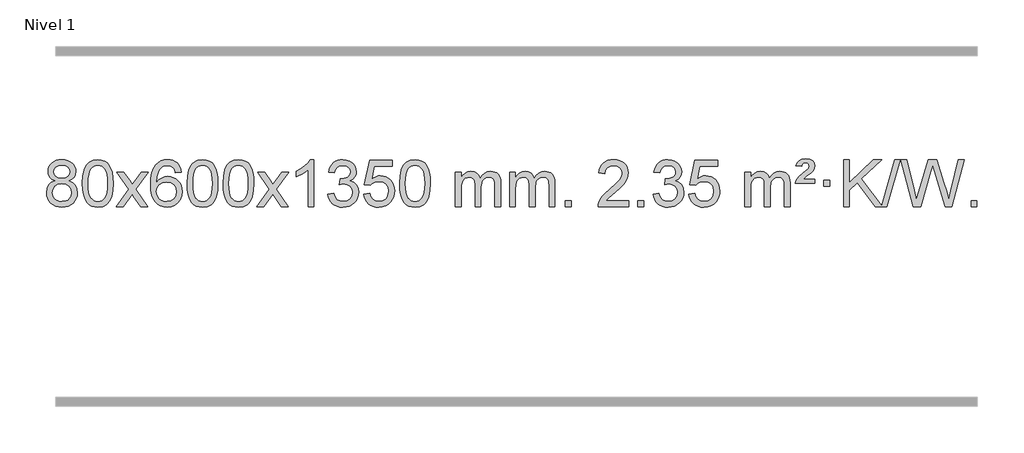
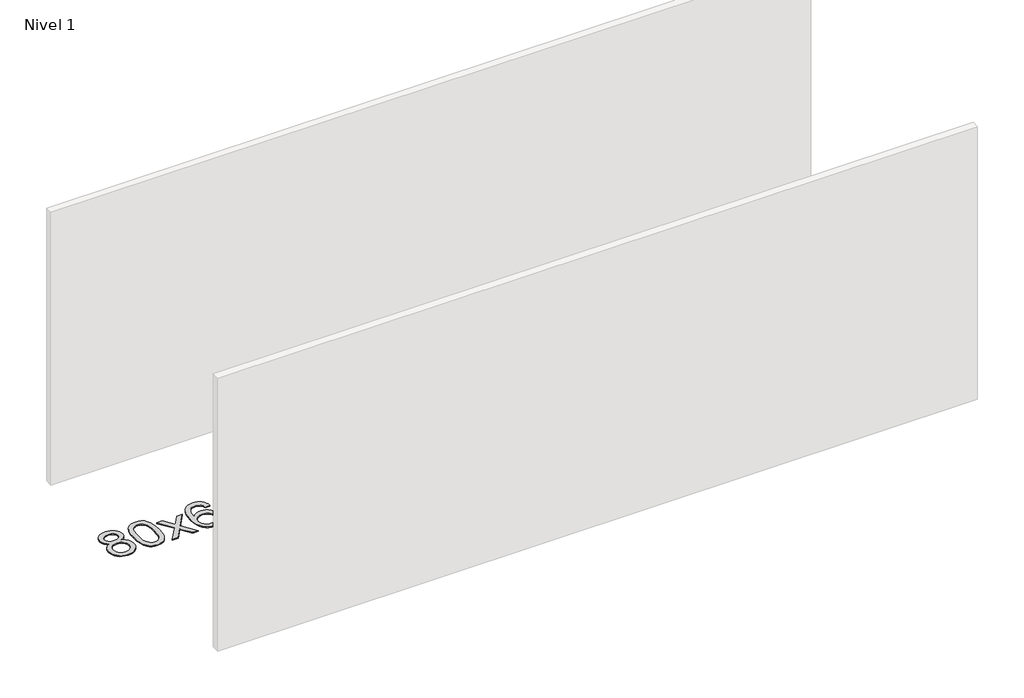
# One storey, part 6 of 16: 1 proxy.
"""IFC4 building model written with IfcOpenShell, lengths in millimetres."""

import ifcopenshell
import ifcopenshell.guid

model = None  # the IFC model being written
_history = None  # IfcOwnerHistory: only IFC2X3 demands one
_inside = {}  # id of a spatial element -> (the spatial element, [elements in it])
_under = {}  # id of a project, library or spatial element -> (it, [spatial elements below it])
_declared = {}  # id of a project -> (the project, [libraries it declares])
_typed = {}  # id of a type object -> (the type object, [elements of that type])
_made_of = {}  # id of a material, layer set ... -> (it, [elements and type objects made of it])


def new_model(schema):
    """Start an empty IFC model of exactly this schema.

    Asked for "IFC4X3", IfcOpenShell would pick the latest addendum, in which some entities
    have other attributes; the version numbers below select the first issue.
    IFC2X3 requires an IfcOwnerHistory on every rooted entity: one is made here for all.
    """
    global model, _history
    if schema == "IFC4X3":
        model = ifcopenshell.file(schema_version=(4, 3, 0, 0))
    else:
        model = ifcopenshell.file(schema=schema)
    _inside.clear()
    _under.clear()
    _declared.clear()
    _typed.clear()
    _made_of.clear()
    _history = None
    if model.schema == "IFC2X3":
        org = make("IfcOrganization", Name="unknown")
        user = make(
            "IfcPersonAndOrganization",
            ThePerson=make("IfcPerson", FamilyName="unknown"),
            TheOrganization=org,
        )
        app = make(
            "IfcApplication",
            ApplicationDeveloper=org,
            Version="unknown",
            ApplicationFullName="unknown",
            ApplicationIdentifier="unknown",
        )
        _history = make(
            "IfcOwnerHistory",
            OwningUser=user,
            OwningApplication=app,
            ChangeAction="ADDED",
            CreationDate=0,
        )
    return model


def make(cls, **values):
    """One entity of the class cls with the attributes given. An attribute that is None is left unset."""
    return model.create_entity(
        cls, **{name: value for name, value in values.items() if value is not None}
    )


def rooted(cls, **values):
    """An entity with a GlobalId (a new one), such as an element, a storey or a relation."""
    return make(cls, GlobalId=ifcopenshell.guid.new(), OwnerHistory=_history, **values)


def si_unit(unit_type, name, prefix=None):
    """IfcSIUnit, for example si_unit("LENGTHUNIT", "METRE", prefix="MILLI")."""
    return make("IfcSIUnit", UnitType=unit_type, Prefix=prefix, Name=name)


def assignment(units):
    """IfcUnitAssignment: the units of a project."""
    return None if units is None else make("IfcUnitAssignment", Units=units)


def point(xyz):
    """IfcCartesianPoint."""
    return None if xyz is None else make("IfcCartesianPoint", Coordinates=xyz)


def direction(xyz):
    """IfcDirection."""
    return None if xyz is None else make("IfcDirection", DirectionRatios=xyz)


def frame(location, z_axis=None, x_axis=None):
    """IfcAxis2Placement3D, a coordinate frame: its origin and axes. An axis left out is left unset."""
    return make(
        "IfcAxis2Placement3D",
        Location=point(location),
        Axis=direction(z_axis),
        RefDirection=direction(x_axis),
    )


def origin():
    """The frame at (0, 0, 0) with its axes left unset."""
    return frame((0.0, 0.0, 0.0))


def origin_with_axes():
    """The frame at (0, 0, 0) with the z axis (0, 0, 1) and the x axis (1, 0, 0) written out."""
    return frame((0.0, 0.0, 0.0), z_axis=(0.0, 0.0, 1.0), x_axis=(1.0, 0.0, 0.0))


def place(relative_to, where):
    """IfcLocalPlacement: puts the frame where relative to a parent placement (None: the world)."""
    return make(
        "IfcLocalPlacement", PlacementRelTo=relative_to, RelativePlacement=where
    )


def context(
    kind, dimensions, precision=None, world=None, true_north=None, identifier=None
):
    """IfcGeometricRepresentationContext, for example the 3D "Model" context."""
    return make(
        "IfcGeometricRepresentationContext",
        ContextIdentifier=identifier,
        ContextType=kind,
        CoordinateSpaceDimension=dimensions,
        Precision=precision,
        WorldCoordinateSystem=world,
        TrueNorth=true_north,
    )


def project(units=None, contexts=None):
    """IfcProject with its units and contexts."""
    return rooted(
        "IfcProject",
        Name="project",
        RepresentationContexts=contexts,
        UnitsInContext=assignment(units),
    )


def spatial(cls, under=None, at=None, **own):
    """A site, building, storey or space (cls), placed at a placement, below another one or the project."""
    s = rooted(cls, ObjectPlacement=at, **own)
    if under is not None:
        _under.setdefault(under.id(), (under, []))[1].append(s)
    return s


def polyline(points):
    """IfcPolyline through the points."""
    return make("IfcPolyline", Points=[point(p) for p in points])


def outline(outer, holes=None, kind="AREA"):
    """IfcArbitraryClosedProfileDef: a profile drawn as a closed curve; with holes, ...WithVoids."""
    if holes is None:
        return make("IfcArbitraryClosedProfileDef", ProfileType=kind, OuterCurve=outer)
    return make(
        "IfcArbitraryProfileDefWithVoids",
        ProfileType=kind,
        OuterCurve=outer,
        InnerCurves=holes,
    )


def extrude(swept, where, along, depth):
    """IfcExtrudedAreaSolid: the profile swept, set in the frame where, extruded along a direction by depth."""
    return make(
        "IfcExtrudedAreaSolid",
        SweptArea=swept,
        Position=where,
        ExtrudedDirection=direction(along),
        Depth=depth,
    )


def shape(context_of_items, identifier, shape_type, items):
    """IfcShapeRepresentation: the items that make up one representation, for example the "Body"."""
    return make(
        "IfcShapeRepresentation",
        ContextOfItems=context_of_items,
        RepresentationIdentifier=identifier,
        RepresentationType=shape_type,
        Items=items,
    )


def made_of(thing, what):
    """Note that an element or type object is made of a material, layer set ...; save() writes the relation."""
    if what is not None:
        _made_of.setdefault(what.id(), (what, []))[1].append(thing)
    return thing


def element(
    cls,
    number,
    at=None,
    inside=None,
    cuts=None,
    type_object=None,
    material=None,
    context=None,
    identifier="Body",
    shape_type=None,
    held_by="IfcProductDefinitionShape",
    body=None,
    shapes=None,
    **own,
):
    """One element of the class cls, such as IfcWall. Its Tag is "e" and its number.

    at: its placement. inside: the storey or other place that contains it. cuts: it is an
    opening in that element (IfcRelVoidsElement). A single representation is given by context,
    identifier, shape_type and body (its items); several are given by shapes. held_by: the class
    of the entity that holds the representations. save() writes the other relations.
    """
    e = rooted(cls, Tag="e%d" % number, ObjectPlacement=at, **own)
    if body is not None:
        shapes = [shape(context, identifier, shape_type, body)]
    if shapes is not None:
        e.Representation = make(held_by, Representations=shapes)
    if inside is not None:
        _inside.setdefault(inside.id(), (inside, []))[1].append(e)
    if cuts is not None:
        rooted(
            "IfcRelVoidsElement", RelatingBuildingElement=cuts, RelatedOpeningElement=e
        )
    if type_object is not None:
        _typed.setdefault(type_object.id(), (type_object, []))[1].append(e)
    return made_of(e, material)


def aggregate(whole, parts):
    """IfcRelAggregates: a whole, such as a stair, and the parts it consists of."""
    return rooted("IfcRelAggregates", RelatingObject=whole, RelatedObjects=parts)


def save(model, path):
    """Write the relations noted so far, then the file.

    IfcRelAggregates (storeys below a building ...), IfcRelContainedInSpatialStructure (elements
    in a storey), IfcRelDefinesByType, IfcRelAssociatesMaterial and IfcRelDeclares: one each for
    every whole, place, type object, material and project.
    """
    for whole, parts in _under.values():
        aggregate(whole, parts)
    for where, things in _inside.values():
        rooted(
            "IfcRelContainedInSpatialStructure",
            RelatedElements=things,
            RelatingStructure=where,
        )
    for kind, things in _typed.values():
        rooted("IfcRelDefinesByType", RelatedObjects=things, RelatingType=kind)
    for what, things in _made_of.values():
        rooted("IfcRelAssociatesMaterial", RelatedObjects=things, RelatingMaterial=what)
    for by, libraries in _declared.values():
        rooted("IfcRelDeclares", RelatingContext=by, RelatedDefinitions=libraries)
    model.write(path)


model = new_model("IFC4")

# Units and contexts
model_context = context("Model", 3, world=origin())
ifc_project = project(units=[si_unit("LENGTHUNIT", "METRE", prefix="MILLI")], contexts=[model_context])

# Site, building, storey
site = spatial("IfcSite", under=ifc_project)
building = spatial("IfcBuilding", under=site)
storey = spatial("IfcBuildingStorey", under=building, Name="Nivel 1", Elevation=0.0)

# Proxy
placement = place(None, origin())
element("IfcBuildingElementProxy", 1, Name="Texto de modelo 1", ObjectType="Texto de modelo 1", at=placement, inside=storey, context=model_context, shape_type="SweptSolid", body=[
    extrude(outline(polyline([(-13036.8094438, -3174.2616447), (-13063.7016177, -3161.0178929), (-13082.573964, -3143.0652515), (-13093.7207885, -3120.7716026), (-13097.4363966, -3094.5048281), (-13095.4130456, -3074.0199324), (-13089.3429927, -3055.2395565), (-13079.2262378, -3038.1637006), (-13065.062781, -3022.7923645), (-13047.533204, -3010.088173), (-13027.3180883, -3001.0137504), (-13004.4174341, -2995.5690969), (-12978.8312414, -2993.7542124), (-12953.1224213, -2995.6120165), (-12930.0500888, -3001.1854287), (-12909.614244, -3010.4744491), (-12891.8148868, -3023.4790776), (-12877.3939126, -3039.1508506), (-12867.0932167, -3056.4413044), (-12860.9127992, -3075.3504389), (-12858.85266, -3095.8782543), (-12862.5192172, -3121.2989001), (-12873.5188889, -3143.2124043), (-12891.9743023, -3161.0546811), (-12918.0080848, -3174.2616447), (-12887.0937345, -3190.1909351), (-12864.5916191, -3213.6495436), (-12850.8696207, -3243.5092989), (-12846.2956212, -3278.6420295), (-12848.5642269, -3303.6947933), (-12855.3700438, -3326.6628926), (-12866.713072, -3347.5463272), (-12882.5933114, -3366.3450971), (-12902.1768963, -3381.88198), (-12924.6299607, -3392.9797536), (-12949.9525047, -3399.6384177), (-12978.1445283, -3401.8579724), (-13006.3365519, -3399.6292206), (-13031.6590959, -3392.9429654), (-13054.1121603, -3381.7992066), (-13073.6957452, -3366.1979443), (-13089.5759846, -3347.26735), (-13100.9190128, -3326.135595), (-13107.7248297, -3302.8026795), (-13109.9934354, -3277.2686033), (-13105.2354949, -3240.7747094), (-13090.9616735, -3210.7555386), (-13067.9077351, -3188.2411605), (-13036.8094438, -3174.2616447)]), holes=[polyline([(-13047.2082415, -3095.9763561), (-13042.7568694, -3117.902123), (-13029.402753, -3135.413306), (-13007.5382997, -3146.8912243), (-12977.5559171, -3150.717197), (-12948.2725103, -3146.9157497), (-12926.7391508, -3135.5114079), (-12913.495399, -3118.5888361), (-12909.0808151, -3098.232699), (-12913.6425518, -3077.1040098), (-12927.327762, -3059.629615), (-12949.1554271, -3047.8941794), (-12978.1445283, -3043.9823675), (-13007.3175705, -3047.8083402), (-13029.1084474, -3059.2862585), (-13042.683293, -3076.1107284), (-13047.2082415, -3095.9763561)]), polyline([(-13059.7652803, -3275.5027698), (-13057.6683529, -3294.7184726), (-13051.3775708, -3313.3210389), (-13039.7647625, -3329.5446349), (-13021.7017565, -3341.623427), (-13000.0702952, -3349.1282197), (-12977.7521208, -3351.6298173), (-12943.5636208, -3346.3691048), (-12929.6699441, -3339.7932141), (-12917.909983, -3330.5869672), (-12901.870328, -3306.6869002), (-12896.5237763, -3277.0723996), (-12902.0420062, -3246.9551269), (-12918.596696, -3222.5277625), (-12930.6754882, -3213.0854579), (-12944.838945, -3206.3409547), (-12979.4198526, -3200.9453521), (-13013.130106, -3206.2673783), (-13026.8674329, -3212.919911), (-13038.5262264, -3222.2334569), (-13054.4555168, -3246.1948375), (-13059.7652803, -3275.5027698)])]), origin_with_axes(), (0.0, 0.0, 1.0), 10.0),
    extrude(outline(polyline([(-12802.3459855, -3197.9041943), (-12798.6549029, -3133.5861588), (-12787.5816548, -3082.2911459), (-12769.236606, -3043.2343407), (-12757.378543, -3028.0009605), (-12743.730121, -3015.6309284), (-12728.2453547, -3006.0598651), (-12710.8782588, -2999.2233914), (-12670.4970785, -2993.7542124), (-12639.5459399, -2996.991574), (-12611.832163, -3006.7036586), (-12588.6555973, -3022.5103217), (-12571.3160926, -3044.0314184), (-12558.2194935, -3071.0830078), (-12547.7716449, -3103.4811488), (-12540.9290398, -3144.6226186), (-12538.6481714, -3197.9041943), (-12542.3024659, -3261.8543477), (-12553.2653493, -3313.0267333), (-12571.5000336, -3352.1203266), (-12583.3305054, -3367.3996922), (-12596.9697304, -3379.8341036), (-12612.4728908, -3389.4695462), (-12629.8951689, -3396.3520052), (-12670.4970785, -3401.8579724), (-12698.1618045, -3399.4667394), (-12722.6872709, -3392.2930405), (-12744.0734775, -3380.3368757), (-12762.3204245, -3363.5982449), (-12779.8316074, -3333.3399508), (-12792.3395953, -3295.6381776), (-12799.844388, -3250.4929255), (-12802.3459855, -3197.9041943)]), holes=[polyline([(-12752.1178305, -3197.8060924), (-12750.6463025, -3241.4706195), (-12746.2317185, -3276.8148822), (-12738.8740786, -3303.8388804), (-12728.5733828, -3322.5426142), (-12716.1144459, -3335.2682656), (-12702.2820829, -3344.3580165), (-12687.0762937, -3349.8118671), (-12670.4970785, -3351.6298173), (-12653.9178632, -3349.8057357), (-12638.7120741, -3344.3334911), (-12624.8797111, -3335.2130833), (-12612.4207742, -3322.4445124), (-12602.1200783, -3303.7101217), (-12594.7624384, -3276.6922549), (-12590.3478545, -3241.3909118), (-12588.8763265, -3197.8060924), (-12590.2988035, -3155.2973278), (-12594.5662347, -3120.5753989), (-12601.6786199, -3093.6403055), (-12611.6359592, -3074.4920476), (-12623.8864297, -3061.1440625), (-12637.8782082, -3051.6097875), (-12653.6112949, -3045.8892225), (-12671.0856897, -3043.9823675), (-12687.5790658, -3045.6623619), (-12702.5273375, -3050.7023452), (-12715.9305049, -3059.1023175), (-12727.7885679, -3070.8622786), (-12738.4326203, -3091.708925), (-12746.0355148, -3119.8151094), (-12750.5972516, -3155.1808319), (-12752.1178305, -3197.8060924)])]), origin_with_axes(), (0.0, 0.0, 1.0), 10.0),
    extrude(outline(polyline([(-12513.5340939, -3395.579453), (-12406.2106531, -3247.2494325), (-12507.2555745, -3100.4890419), (-12446.8248254, -3100.4890419), (-12398.0681983, -3171.122385), (-12375.3085655, -3204.4770192), (-12355.5900906, -3177.2047007), (-12300.0644348, -3100.4890419), (-12239.6336857, -3100.4890419), (-12345.7799041, -3247.2494325), (-12243.5577603, -3395.579453), (-12303.9885094, -3395.579453), (-12365.498379, -3306.4048574), (-12376.7800935, -3290.1199477), (-12453.1033448, -3395.579453), (-12513.5340939, -3395.579453)])), origin_with_axes(), (0.0, 0.0, 1.0), 10.0),
    extrude(outline(polyline([(-11954.7458687, -3100.4890419), (-12004.9740237, -3106.7675613), (-12013.0674276, -3081.874213), (-12024.0057856, -3064.8780648), (-12046.7899439, -3049.2062918), (-12074.3320426, -3043.9823675), (-12097.6802865, -3047.0235253), (-12119.6551044, -3056.1469988), (-12138.5274507, -3075.3627017), (-12153.9417063, -3101.8134171), (-12164.3527668, -3139.227016), (-12168.2155277, -3191.3313693), (-12148.0678571, -3167.8237098), (-12123.9225355, -3151.2567573), (-12097.1284635, -3141.434308), (-12069.0345418, -3138.1601582), (-12044.9014829, -3140.398107), (-12022.6323595, -3147.1119534), (-12002.2271715, -3158.3016975), (-11983.6859189, -3173.9673391), (-11968.2777947, -3193.1769106), (-11957.2719917, -3214.9984443), (-11950.6685099, -3239.4319401), (-11948.4673493, -3266.4773982), (-11952.6121531, -3302.4439945), (-11965.0465645, -3335.786366), (-11984.740514, -3364.0642287), (-12010.6639319, -3384.8372987), (-12041.6395959, -3397.602804), (-12076.4902836, -3401.8579724), (-12106.4328123, -3399.0375437), (-12133.4752046, -3390.5762579), (-12157.6174606, -3376.4741147), (-12178.8595801, -3356.7311143), (-12196.177625, -3330.5133908), (-12208.5476571, -3296.9870783), (-12215.9696764, -3256.1521768), (-12218.4436828, -3208.0086864), (-12215.6968306, -3154.0342663), (-12207.4562739, -3107.9693092), (-12193.7220127, -3069.8138149), (-12174.4940471, -3039.5677835), (-12153.6535321, -3019.5243462), (-12129.4898164, -3005.2076052), (-12102.0029, -2996.6175606), (-12071.1927829, -2993.7542124), (-12048.0591367, -2995.5261773), (-12027.1205198, -3000.8420722), (-12008.3769322, -3009.7018969), (-11991.8283738, -3022.1056515), (-11977.9224344, -3037.6364031), (-11967.1067037, -3055.8772186), (-11959.3811818, -3076.8280983), (-11954.7458687, -3100.4890419)]), holes=[polyline([(-12168.2155277, -3265.6925832), (-12165.30926, -3287.9494439), (-12156.5904567, -3309.2007605), (-12143.0523993, -3327.472233), (-12125.6883691, -3340.7895612), (-12104.7313581, -3348.9197533), (-12080.4143582, -3351.6298173), (-12047.2681904, -3346.0134855), (-12033.353054, -3338.9930708), (-12021.2098825, -3329.1644901), (-12011.359842, -3316.9262824), (-12004.3240989, -3302.6769865), (-11998.6955043, -3268.1451299), (-12004.2505225, -3234.9989621), (-12011.1942951, -3221.3781312), (-12020.9155769, -3209.725469), (-12033.0955366, -3200.3904634), (-12047.4153432, -3193.7226022), (-12082.4744974, -3188.3883133), (-12115.5716142, -3193.7226022), (-12143.248603, -3209.725469), (-12154.1716326, -3221.2248471), (-12161.9737965, -3234.3858254), (-12166.6550949, -3249.2084042), (-12168.2155277, -3265.6925832)])]), origin_with_axes(), (0.0, 0.0, 1.0), 10.0),
    extrude(outline(polyline([(-11904.5177136, -3197.9041943), (-11900.8266309, -3133.5861588), (-11889.7533828, -3082.2911459), (-11871.408334, -3043.2343407), (-11859.550271, -3028.0009605), (-11845.901849, -3015.6309284), (-11830.4170827, -3006.0598651), (-11813.0499869, -2999.2233914), (-11772.6688065, -2993.7542124), (-11741.717668, -2996.991574), (-11714.003891, -3006.7036586), (-11690.8273253, -3022.5103217), (-11673.4878206, -3044.0314184), (-11660.3912216, -3071.0830078), (-11649.9433729, -3103.4811488), (-11643.1007678, -3144.6226186), (-11640.8198994, -3197.9041943), (-11644.4741939, -3261.8543477), (-11655.4370774, -3313.0267333), (-11673.6717616, -3352.1203266), (-11685.5022334, -3367.3996922), (-11699.1414584, -3379.8341036), (-11714.6446188, -3389.4695462), (-11732.066897, -3396.3520052), (-11772.6688065, -3401.8579724), (-11800.3335326, -3399.4667394), (-11824.8589989, -3392.2930405), (-11846.2452055, -3380.3368757), (-11864.4921525, -3363.5982449), (-11882.0033355, -3333.3399508), (-11894.5113233, -3295.6381776), (-11902.016116, -3250.4929255), (-11904.5177136, -3197.9041943)]), holes=[polyline([(-11854.2895585, -3197.8060924), (-11852.8180305, -3241.4706195), (-11848.4034466, -3276.8148822), (-11841.0458067, -3303.8388804), (-11830.7451108, -3322.5426142), (-11818.2861739, -3335.2682656), (-11804.4538109, -3344.3580165), (-11789.2480218, -3349.8118671), (-11772.6688065, -3351.6298173), (-11756.0895913, -3349.8057357), (-11740.8838021, -3344.3334911), (-11727.0514391, -3335.2130833), (-11714.5925022, -3322.4445124), (-11704.2918063, -3303.7101217), (-11696.9341664, -3276.6922549), (-11692.5195825, -3241.3909118), (-11691.0480545, -3197.8060924), (-11692.4705316, -3155.2973278), (-11696.7379627, -3120.5753989), (-11703.8503479, -3093.6403055), (-11713.8076873, -3074.4920476), (-11726.0581577, -3061.1440625), (-11740.0499363, -3051.6097875), (-11755.7830229, -3045.8892225), (-11773.2574177, -3043.9823675), (-11789.7507938, -3045.6623619), (-11804.6990656, -3050.7023452), (-11818.1022329, -3059.1023175), (-11829.9602959, -3070.8622786), (-11840.6043483, -3091.708925), (-11848.2072429, -3119.8151094), (-11852.7689796, -3155.1808319), (-11854.2895585, -3197.8060924)])]), origin_with_axes(), (0.0, 0.0, 1.0), 10.0),
    extrude(outline(polyline([(-11596.8702638, -3197.9041943), (-11593.1791811, -3133.5861588), (-11582.105933, -3082.2911459), (-11563.7608842, -3043.2343407), (-11551.9028212, -3028.0009605), (-11538.2543992, -3015.6309284), (-11522.7696329, -3006.0598651), (-11505.402537, -2999.2233914), (-11465.0213567, -2993.7542124), (-11434.0702182, -2996.991574), (-11406.3564412, -3006.7036586), (-11383.1798755, -3022.5103217), (-11365.8403708, -3044.0314184), (-11352.7437718, -3071.0830078), (-11342.2959231, -3103.4811488), (-11335.453318, -3144.6226186), (-11333.1724496, -3197.9041943), (-11336.8267441, -3261.8543477), (-11347.7896275, -3313.0267333), (-11366.0243118, -3352.1203266), (-11377.8547836, -3367.3996922), (-11391.4940086, -3379.8341036), (-11406.997169, -3389.4695462), (-11424.4194471, -3396.3520052), (-11465.0213567, -3401.8579724), (-11492.6860827, -3399.4667394), (-11517.2115491, -3392.2930405), (-11538.5977557, -3380.3368757), (-11556.8447027, -3363.5982449), (-11574.3558856, -3333.3399508), (-11586.8638735, -3295.6381776), (-11594.3686662, -3250.4929255), (-11596.8702638, -3197.9041943)]), holes=[polyline([(-11546.6421087, -3197.8060924), (-11545.1705807, -3241.4706195), (-11540.7559968, -3276.8148822), (-11533.3983568, -3303.8388804), (-11523.097661, -3322.5426142), (-11510.6387241, -3335.2682656), (-11496.8063611, -3344.3580165), (-11481.6005719, -3349.8118671), (-11465.0213567, -3351.6298173), (-11448.4421414, -3349.8057357), (-11433.2363523, -3344.3334911), (-11419.4039893, -3335.2130833), (-11406.9450524, -3322.4445124), (-11396.6443565, -3303.7101217), (-11389.2867166, -3276.6922549), (-11384.8721327, -3241.3909118), (-11383.4006047, -3197.8060924), (-11384.8230817, -3155.2973278), (-11389.0905129, -3120.5753989), (-11396.2028981, -3093.6403055), (-11406.1602375, -3074.4920476), (-11418.4107079, -3061.1440625), (-11432.4024864, -3051.6097875), (-11448.1355731, -3045.8892225), (-11465.6099679, -3043.9823675), (-11482.103344, -3045.6623619), (-11497.0516157, -3050.7023452), (-11510.4547831, -3059.1023175), (-11522.3128461, -3070.8622786), (-11532.9568985, -3091.708925), (-11540.559793, -3119.8151094), (-11545.1215298, -3155.1808319), (-11546.6421087, -3197.8060924)])]), origin_with_axes(), (0.0, 0.0, 1.0), 10.0),
    extrude(outline(polyline([(-11308.0583721, -3395.579453), (-11200.7349313, -3247.2494325), (-11301.7798527, -3100.4890419), (-11241.3491036, -3100.4890419), (-11192.5924765, -3171.122385), (-11169.8328437, -3204.4770192), (-11150.1143688, -3177.2047007), (-11094.588713, -3100.4890419), (-11034.1579639, -3100.4890419), (-11140.3041823, -3247.2494325), (-11038.0820385, -3395.579453), (-11098.5127876, -3395.579453), (-11160.0226572, -3306.4048574), (-11171.3043717, -3290.1199477), (-11247.627623, -3395.579453), (-11308.0583721, -3395.579453)])), origin_with_axes(), (0.0, 0.0, 1.0), 10.0),
    extrude(outline(polyline([(-10818.3338601, -3395.579453), (-10868.5620152, -3395.579453), (-10868.5620152, -3082.4382987), (-10889.5312889, -3099.3976587), (-10916.1414199, -3116.3324932), (-10969.0183253, -3141.6918254), (-10969.0183253, -3094.2105225), (-10929.5691127, -3072.7507395), (-10895.3928753, -3047.219729), (-10868.4516506, -3020.0700378), (-10850.7074757, -2993.7542124), (-10818.3338601, -2993.7542124), (-10818.3338601, -3395.579453)])), origin_with_axes(), (0.0, 0.0, 1.0), 10.0),
    extrude(outline(polyline([(-10699.0419918, -3288.8446235), (-10648.8138367, -3282.5661041), (-10637.5689104, -3314.1303793), (-10621.1000597, -3335.4430095), (-10598.5979444, -3347.5831154), (-10569.2532239, -3351.6298173), (-10534.8194691, -3346.0625364), (-10520.5456477, -3339.1034354), (-10508.2338636, -3329.3606939), (-10491.2377154, -3304.4428201), (-10485.5723327, -3274.2274455), (-10491.1886645, -3245.5449126), (-10508.0376599, -3222.2825078), (-10533.5441449, -3206.8682522), (-10565.1329455, -3201.730167), (-10600.3515152, -3207.2238715), (-10594.7597089, -3156.9957164), (-10586.7153559, -3157.5843276), (-10556.6226087, -3153.979084), (-10529.7181721, -3143.1633534), (-10518.6449241, -3134.9841103), (-10510.7354612, -3124.8673555), (-10505.9897835, -3112.8130888), (-10504.4078909, -3098.8213102), (-10508.9941531, -3077.1285352), (-10522.7529397, -3059.5315131), (-10543.7467389, -3047.8696539), (-10570.0380388, -3043.9823675), (-10596.3783897, -3047.9064421), (-10617.9117491, -3059.6786659), (-10633.632573, -3079.299039), (-10642.5353173, -3106.7675613), (-10692.7634724, -3100.4890419), (-10686.8099154, -3076.5092672), (-10677.9746162, -3055.3867093), (-10666.2575747, -3037.1213683), (-10651.6587908, -3021.713244), (-10634.6381172, -3009.4811677), (-10615.6554062, -3000.7439703), (-10594.710658, -2995.5016519), (-10571.8038724, -2993.7542124), (-10540.2273345, -2997.2000404), (-10511.2259705, -3007.5375245), (-10486.7740806, -3023.8469596), (-10468.8459647, -3045.2086408), (-10457.846293, -3069.8199463), (-10454.1797358, -3095.8782543), (-10457.662352, -3120.1584659), (-10468.1102007, -3142.1823347), (-10485.376129, -3160.9443165), (-10509.3129841, -3175.4388671), (-10477.8713363, -3188.1430586), (-10454.5721433, -3209.77452), (-10440.151169, -3239.1560286), (-10435.3441776, -3275.1103623), (-10437.7476733, -3300.5923218), (-10444.9581605, -3324.0631931), (-10456.975639, -3345.5229762), (-10473.8001089, -3364.971671), (-10494.2972674, -3381.1094278), (-10517.3328116, -3392.636397), (-10542.9067417, -3399.5525785), (-10571.0190575, -3401.8579724), (-10596.4274406, -3399.8898037), (-10619.5794808, -3393.9852977), (-10640.4751782, -3384.1444543), (-10659.1145326, -3370.3672736), (-10674.743386, -3353.4630959), (-10686.6075804, -3334.2412617), (-10694.7071156, -3312.7017708), (-10699.0419918, -3288.8446235)])), origin_with_axes(), (0.0, 0.0, 1.0), 10.0),
    extrude(outline(polyline([(-10391.394542, -3288.8446235), (-10341.1663869, -3282.5661041), (-10331.9448115, -3312.7201649), (-10315.8561056, -3334.3148381), (-10292.9738455, -3347.3010725), (-10263.3716076, -3351.6298173), (-10244.2417439, -3350.1245668), (-10227.368223, -3345.6088153), (-10212.7510451, -3338.0825628), (-10200.3902101, -3327.5458094), (-10190.5616294, -3314.519721), (-10183.5412147, -3299.5254641), (-10177.9248829, -3263.6324441), (-10183.1855954, -3229.8363514), (-10189.7614861, -3215.9181493), (-10198.967733, -3203.9865099), (-10210.834993, -3194.4154467), (-10225.393923, -3187.5789729), (-10262.5867927, -3182.1097939), (-10286.9528435, -3184.2925604), (-10306.6835812, -3190.8408599), (-10322.4411933, -3200.8717757), (-10334.8878675, -3213.5023908), (-10385.1160226, -3207.2238715), (-10341.1663869, -3000.0327318), (-10146.532286, -3000.0327318), (-10146.532286, -3050.2608869), (-10300.5522146, -3050.2608869), (-10322.0365231, -3160.919791), (-10304.3107423, -3148.2155994), (-10286.1557659, -3139.1411769), (-10267.5715937, -3133.6965234), (-10248.558226, -3131.8816388), (-10224.097139, -3134.1318504), (-10201.6287461, -3140.882485), (-10181.1530474, -3152.1335427), (-10162.6700428, -3167.8850234), (-10147.3692175, -3187.1743027), (-10136.4400566, -3209.038756), (-10129.88256, -3233.4783832), (-10127.6967278, -3260.4931844), (-10129.6648965, -3286.5147042), (-10135.5694025, -3310.7213394), (-10145.4102459, -3333.1130902), (-10159.1874266, -3353.6899565), (-10180.0585985, -3374.7634634), (-10204.4123865, -3389.8159684), (-10232.2487908, -3398.8474714), (-10263.5678114, -3401.8579724), (-10289.4881636, -3399.9235262), (-10312.9007869, -3394.1201877), (-10333.8056813, -3384.447957), (-10352.2028467, -3370.9068338), (-10367.5098034, -3354.1712688), (-10379.1440715, -3334.915712), (-10387.105651, -3313.1401636), (-10391.394542, -3288.8446235)])), origin_with_axes(), (0.0, 0.0, 1.0), 10.0),
    extrude(outline(polyline([(-10083.7470921, -3197.9041943), (-10080.0560094, -3133.5861588), (-10068.9827614, -3082.2911459), (-10050.6377126, -3043.2343407), (-10038.7796496, -3028.0009605), (-10025.1312276, -3015.6309284), (-10009.6464612, -3006.0598651), (-9992.2793654, -2999.2233914), (-9951.8981851, -2993.7542124), (-9920.9470465, -2996.991574), (-9893.2332696, -3006.7036586), (-9870.0567039, -3022.5103217), (-9852.7171992, -3044.0314184), (-9839.6206001, -3071.0830078), (-9829.1727515, -3103.4811488), (-9822.3301463, -3144.6226186), (-9820.049278, -3197.9041943), (-9823.7035725, -3261.8543477), (-9834.6664559, -3313.0267333), (-9852.9011401, -3352.1203266), (-9864.731612, -3367.3996922), (-9878.3708369, -3379.8341036), (-9893.8739974, -3389.4695462), (-9911.2962755, -3396.3520052), (-9951.8981851, -3401.8579724), (-9979.5629111, -3399.4667394), (-10004.0883774, -3392.2930405), (-10025.4745841, -3380.3368757), (-10043.721531, -3363.5982449), (-10061.232714, -3333.3399508), (-10073.7407019, -3295.6381776), (-10081.2454946, -3250.4929255), (-10083.7470921, -3197.9041943)]), holes=[polyline([(-10033.518937, -3197.8060924), (-10032.0474091, -3241.4706195), (-10027.6328251, -3276.8148822), (-10020.2751852, -3303.8388804), (-10009.9744894, -3322.5426142), (-9997.5155525, -3335.2682656), (-9983.6831894, -3344.3580165), (-9968.4774003, -3349.8118671), (-9951.8981851, -3351.6298173), (-9935.3189698, -3349.8057357), (-9920.1131807, -3344.3334911), (-9906.2808176, -3335.2130833), (-9893.8218807, -3322.4445124), (-9883.5211849, -3303.7101217), (-9876.163545, -3276.6922549), (-9871.748961, -3241.3909118), (-9870.2774331, -3197.8060924), (-9871.6999101, -3155.2973278), (-9875.9673412, -3120.5753989), (-9883.0797265, -3093.6403055), (-9893.0370658, -3074.4920476), (-9905.2875363, -3061.1440625), (-9919.2793148, -3051.6097875), (-9935.0124015, -3045.8892225), (-9952.4867962, -3043.9823675), (-9968.9801724, -3045.6623619), (-9983.9284441, -3050.7023452), (-9997.3316115, -3059.1023175), (-10009.1896744, -3070.8622786), (-10019.8337268, -3091.708925), (-10027.4366214, -3119.8151094), (-10031.9983581, -3155.1808319), (-10033.518937, -3197.8060924)])]), origin_with_axes(), (0.0, 0.0, 1.0), 10.0),
    extrude(outline(polyline([(-9606.5796189, -3395.579453), (-9606.5796189, -3100.4890419), (-9556.3514638, -3100.4890419), (-9556.3514638, -3149.0494653), (-9541.2437766, -3126.7435537), (-9521.8196072, -3109.2691589), (-9498.7411434, -3097.9751816), (-9472.6705727, -3094.2105225), (-9444.7360665, -3098.048758), (-9422.3443157, -3109.5634645), (-9405.6179477, -3127.9943524), (-9394.6795897, -3152.5811324), (-9376.3713291, -3127.0439906), (-9355.4878945, -3108.803175), (-9332.0292859, -3097.8586857), (-9305.9955034, -3094.2105225), (-9285.8876867, -3095.7280358), (-9268.2385479, -3100.2805755), (-9253.0480872, -3107.8681416), (-9240.3163045, -3118.4907342), (-9230.2516663, -3132.2709806), (-9223.0626389, -3149.3315082), (-9218.7492225, -3169.6723168), (-9217.3114171, -3193.2934066), (-9217.3114171, -3395.579453), (-9267.5395722, -3395.579453), (-9267.5395722, -3214.875817), (-9268.7045318, -3189.8230531), (-9272.1994108, -3172.9372695), (-9278.7477103, -3161.3735121), (-9289.0729316, -3152.2868268), (-9302.3534716, -3146.4007149), (-9317.7677272, -3144.4386776), (-9344.9787321, -3149.4663982), (-9367.1620165, -3164.54956), (-9375.7673895, -3176.1194488), (-9381.9140845, -3190.7182326), (-9386.8314405, -3229.0024856), (-9386.8314405, -3395.579453), (-9437.0595955, -3395.579453), (-9437.0595955, -3209.2840106), (-9439.9658633, -3180.8835206), (-9448.6846666, -3160.6254854), (-9464.0253458, -3148.4853796), (-9486.7972413, -3144.4386776), (-9506.1478342, -3147.1364789), (-9523.9778483, -3155.2298828), (-9538.6931281, -3168.5226856), (-9548.6995183, -3186.8186835), (-9554.4384775, -3212.2025411), (-9556.3514638, -3246.7589232), (-9556.3514638, -3395.579453), (-9606.5796189, -3395.579453)])), origin_with_axes(), (0.0, 0.0, 1.0), 10.0),
    extrude(outline(polyline([(-9141.9691845, -3395.579453), (-9141.9691845, -3100.4890419), (-9091.7410294, -3100.4890419), (-9091.7410294, -3149.0494653), (-9076.6333421, -3126.7435537), (-9057.2091728, -3109.2691589), (-9034.130709, -3097.9751816), (-9008.0601382, -3094.2105225), (-8980.1256321, -3098.048758), (-8957.7338813, -3109.5634645), (-8941.0075132, -3127.9943524), (-8930.0691552, -3152.5811324), (-8911.7608946, -3127.0439906), (-8890.87746, -3108.803175), (-8867.4188515, -3097.8586857), (-8841.3850689, -3094.2105225), (-8821.2772522, -3095.7280358), (-8803.6281135, -3100.2805755), (-8788.4376528, -3107.8681416), (-8775.7058701, -3118.4907342), (-8765.6412318, -3132.2709806), (-8758.4522045, -3149.3315082), (-8754.1387881, -3169.6723168), (-8752.7009826, -3193.2934066), (-8752.7009826, -3395.579453), (-8802.9291377, -3395.579453), (-8802.9291377, -3214.875817), (-8804.0940974, -3189.8230531), (-8807.5889763, -3172.9372695), (-8814.1372758, -3161.3735121), (-8824.4624972, -3152.2868268), (-8837.7430372, -3146.4007149), (-8853.1572928, -3144.4386776), (-8880.3682977, -3149.4663982), (-8902.551582, -3164.54956), (-8911.156955, -3176.1194488), (-8917.30365, -3190.7182326), (-8922.221006, -3229.0024856), (-8922.221006, -3395.579453), (-8972.4491611, -3395.579453), (-8972.4491611, -3209.2840106), (-8975.3554289, -3180.8835206), (-8984.0742321, -3160.6254854), (-8999.4149113, -3148.4853796), (-9022.1868068, -3144.4386776), (-9041.5373998, -3147.1364789), (-9059.3674138, -3155.2298828), (-9074.0826936, -3168.5226856), (-9084.0890839, -3186.8186835), (-9089.828043, -3212.2025411), (-9091.7410294, -3246.7589232), (-9091.7410294, -3395.579453), (-9141.9691845, -3395.579453)])), origin_with_axes(), (0.0, 0.0, 1.0), 10.0),
    extrude(outline(polyline([(-8664.8017113, -3395.579453), (-8664.8017113, -3345.3512979), (-8614.5735562, -3345.3512979), (-8614.5735562, -3395.579453), (-8664.8017113, -3395.579453)])), origin_with_axes(), (0.0, 0.0, 1.0), 10.0),
    extrude(outline(polyline([(-8118.5705248, -3345.3512979), (-8118.5705248, -3395.579453), (-8382.268339, -3395.579453), (-8381.164693, -3377.8965918), (-8376.8727364, -3360.9494945), (-8364.4873759, -3333.8856424), (-8346.3630562, -3307.6311307), (-8320.1453327, -3280.1503456), (-8283.4797605, -3249.4076736), (-8229.2784799, -3201.2641831), (-8196.7577115, -3165.7267824), (-8180.4973273, -3136.884834), (-8175.0771993, -3108.8277005), (-8180.190759, -3083.6768347), (-8195.5314382, -3062.7688747), (-8219.1126741, -3048.6789943), (-8248.9479039, -3043.9823675), (-8280.2791872, -3048.5686297), (-8304.6207125, -3062.3274163), (-8320.3292737, -3084.1796068), (-8325.7616645, -3113.0460807), (-8375.9898196, -3106.7675613), (-8371.6702718, -3080.838012), (-8363.8129255, -3058.1826125), (-8352.4177807, -3038.8013627), (-8337.4848374, -3022.6942627), (-8319.3574521, -3010.0329907), (-8298.3789813, -3000.989225), (-8274.5494251, -2995.5629655), (-8247.8687834, -2993.7542124), (-8220.9490184, -2995.7653006), (-8196.9907035, -3001.7985654), (-8175.9938386, -3011.8540066), (-8157.9584238, -3025.9316242), (-8143.4730702, -3042.9890861), (-8133.1263891, -3061.9840598), (-8126.9183804, -3082.9165453), (-8124.8490442, -3105.7865427), (-8127.0808616, -3129.8092369), (-8133.776314, -3153.4149983), (-8145.6589024, -3177.4254299), (-8163.4521282, -3202.6621347), (-8191.8158301, -3232.7916701), (-8235.4098465, -3271.4805933), (-8293.1918452, -3319.795762), (-8315.8533761, -3345.3512979), (-8118.5705248, -3345.3512979)])), origin_with_axes(), (0.0, 0.0, 1.0), 10.0),
    extrude(outline(polyline([(-8043.2282922, -3395.579453), (-8043.2282922, -3345.3512979), (-7993.0001371, -3345.3512979), (-7993.0001371, -3395.579453), (-8043.2282922, -3395.579453)])), origin_with_axes(), (0.0, 0.0, 1.0), 10.0),
    extrude(outline(polyline([(-7911.3793851, -3288.8446235), (-7861.1512301, -3282.5661041), (-7849.9063037, -3314.1303793), (-7833.4374531, -3335.4430095), (-7810.9353377, -3347.5831154), (-7781.5906172, -3351.6298173), (-7747.1568625, -3346.0625364), (-7732.8830411, -3339.1034354), (-7720.571257, -3329.3606939), (-7703.5751088, -3304.4428201), (-7697.9097261, -3274.2274455), (-7703.5260579, -3245.5449126), (-7720.3750532, -3222.2825078), (-7745.8815382, -3206.8682522), (-7777.4703389, -3201.730167), (-7812.6889086, -3207.2238715), (-7807.0971022, -3156.9957164), (-7799.0527493, -3157.5843276), (-7768.9600021, -3153.979084), (-7742.0555655, -3143.1633534), (-7730.9823174, -3134.9841103), (-7723.0728545, -3124.8673555), (-7718.3271768, -3112.8130888), (-7716.7452842, -3098.8213102), (-7721.3315464, -3077.1285352), (-7735.090333, -3059.5315131), (-7756.0841322, -3047.8696539), (-7782.3754322, -3043.9823675), (-7808.715783, -3047.9064421), (-7830.2491425, -3059.6786659), (-7845.9699664, -3079.299039), (-7854.8727107, -3106.7675613), (-7905.1008658, -3100.4890419), (-7899.1473088, -3076.5092672), (-7890.3120095, -3055.3867093), (-7878.594968, -3037.1213683), (-7863.9961842, -3021.713244), (-7846.9755105, -3009.4811677), (-7827.9927996, -3000.7439703), (-7807.0480513, -2995.5016519), (-7784.1412657, -2993.7542124), (-7752.5647278, -2997.2000404), (-7723.5633639, -3007.5375245), (-7699.1114739, -3023.8469596), (-7681.183358, -3045.2086408), (-7670.1836864, -3069.8199463), (-7666.5171291, -3095.8782543), (-7669.9997454, -3120.1584659), (-7680.447594, -3142.1823347), (-7697.7135223, -3160.9443165), (-7721.6503775, -3175.4388671), (-7690.2087296, -3188.1430586), (-7666.9095366, -3209.77452), (-7652.4885624, -3239.1560286), (-7647.681571, -3275.1103623), (-7650.0850667, -3300.5923218), (-7657.2955538, -3324.0631931), (-7669.3130323, -3345.5229762), (-7686.1375022, -3364.971671), (-7706.6346607, -3381.1094278), (-7729.670205, -3392.636397), (-7755.244135, -3399.5525785), (-7783.3564508, -3401.8579724), (-7808.7648339, -3399.8898037), (-7831.9168742, -3393.9852977), (-7852.8125715, -3384.1444543), (-7871.4519259, -3370.3672736), (-7887.0807794, -3353.4630959), (-7898.9449737, -3334.2412617), (-7907.044509, -3312.7017708), (-7911.3793851, -3288.8446235)])), origin_with_axes(), (0.0, 0.0, 1.0), 10.0),
    extrude(outline(polyline([(-7603.7319353, -3288.8446235), (-7553.5037802, -3282.5661041), (-7544.2822049, -3312.7201649), (-7528.193499, -3334.3148381), (-7505.3112389, -3347.3010725), (-7475.709001, -3351.6298173), (-7456.5791372, -3350.1245668), (-7439.7056164, -3345.6088153), (-7425.0884384, -3338.0825628), (-7412.7276034, -3327.5458094), (-7402.8990228, -3314.519721), (-7395.878608, -3299.5254641), (-7390.2622762, -3263.6324441), (-7395.5229888, -3229.8363514), (-7402.0988794, -3215.9181493), (-7411.3051264, -3203.9865099), (-7423.1723864, -3194.4154467), (-7437.7313163, -3187.5789729), (-7474.9241861, -3182.1097939), (-7499.2902369, -3184.2925604), (-7519.0209745, -3190.8408599), (-7534.7785867, -3200.8717757), (-7547.2252608, -3213.5023908), (-7597.4534159, -3207.2238715), (-7553.5037802, -3000.0327318), (-7358.8696793, -3000.0327318), (-7358.8696793, -3050.2608869), (-7512.889608, -3050.2608869), (-7534.3739165, -3160.919791), (-7516.6481357, -3148.2155994), (-7498.4931592, -3139.1411769), (-7479.9089871, -3133.6965234), (-7460.8956193, -3131.8816388), (-7436.4345323, -3134.1318504), (-7413.9661395, -3140.882485), (-7393.4904407, -3152.1335427), (-7375.0074362, -3167.8850234), (-7359.7066109, -3187.1743027), (-7348.7774499, -3209.038756), (-7342.2199533, -3233.4783832), (-7340.0341212, -3260.4931844), (-7342.0022898, -3286.5147042), (-7347.9067959, -3310.7213394), (-7357.7476392, -3333.1130902), (-7371.5248199, -3353.6899565), (-7392.3959918, -3374.7634634), (-7416.7497799, -3389.8159684), (-7444.5861842, -3398.8474714), (-7475.9052047, -3401.8579724), (-7501.825557, -3399.9235262), (-7525.2381803, -3394.1201877), (-7546.1430746, -3384.447957), (-7564.5402401, -3370.9068338), (-7579.8471968, -3354.1712688), (-7591.4814649, -3334.915712), (-7599.4430444, -3313.1401636), (-7603.7319353, -3288.8446235)])), origin_with_axes(), (0.0, 0.0, 1.0), 10.0),
    extrude(outline(polyline([(-7126.5644621, -3395.579453), (-7126.5644621, -3100.4890419), (-7076.336307, -3100.4890419), (-7076.336307, -3149.0494653), (-7061.2286197, -3126.7435537), (-7041.8044504, -3109.2691589), (-7018.7259866, -3097.9751816), (-6992.6554158, -3094.2105225), (-6964.7209097, -3098.048758), (-6942.3291589, -3109.5634645), (-6925.6027909, -3127.9943524), (-6914.6644329, -3152.5811324), (-6896.3561722, -3127.0439906), (-6875.4727377, -3108.803175), (-6852.0141291, -3097.8586857), (-6825.9803466, -3094.2105225), (-6805.8725298, -3095.7280358), (-6788.2233911, -3100.2805755), (-6773.0329304, -3107.8681416), (-6760.3011477, -3118.4907342), (-6750.2365094, -3132.2709806), (-6743.0474821, -3149.3315082), (-6738.7340657, -3169.6723168), (-6737.2962603, -3193.2934066), (-6737.2962603, -3395.579453), (-6787.5244153, -3395.579453), (-6787.5244153, -3214.875817), (-6788.689375, -3189.8230531), (-6792.1842539, -3172.9372695), (-6798.7325535, -3161.3735121), (-6809.0577748, -3152.2868268), (-6822.3383148, -3146.4007149), (-6837.7525704, -3144.4386776), (-6864.9635753, -3149.4663982), (-6887.1468596, -3164.54956), (-6895.7522326, -3176.1194488), (-6901.8989276, -3190.7182326), (-6906.8162836, -3229.0024856), (-6906.8162836, -3395.579453), (-6957.0444387, -3395.579453), (-6957.0444387, -3209.2840106), (-6959.9507065, -3180.8835206), (-6968.6695098, -3160.6254854), (-6984.010189, -3148.4853796), (-7006.7820845, -3144.4386776), (-7026.1326774, -3147.1364789), (-7043.9626914, -3155.2298828), (-7058.6779713, -3168.5226856), (-7068.6843615, -3186.8186835), (-7074.4233206, -3212.2025411), (-7076.336307, -3246.7589232), (-7076.336307, -3395.579453), (-7126.5644621, -3395.579453)])), origin_with_axes(), (0.0, 0.0, 1.0), 10.0),
    extrude(outline(polyline([(-6693.3466246, -3194.6668327), (-6689.5206518, -3178.8479069), (-6681.1819933, -3162.9799302), (-6659.6731593, -3137.8413272), (-6627.7164766, -3110.1030247), (-6583.5706372, -3072.726214), (-6576.4337265, -3061.1992448), (-6574.0547563, -3049.3779701), (-6575.9432172, -3037.2869152), (-6581.6085999, -3027.5012541), (-6590.977328, -3021.026531), (-6603.9758252, -3018.8682899), (-6616.4102366, -3020.4869707), (-6625.26393, -3025.343013), (-6631.6896022, -3034.8098431), (-6636.8399501, -3050.2608869), (-6687.0681052, -3043.9823675), (-6676.2278491, -3018.7701881), (-6659.5995829, -3001.2099542), (-6635.834406, -2990.9092583), (-6603.5834178, -2987.475693), (-6567.8007624, -2991.6082341), (-6543.0545668, -3004.0058573), (-6528.6335926, -3022.3386434), (-6523.8266012, -3044.2766731), (-6527.9223541, -3067.1834586), (-6540.2096127, -3088.8149199), (-6560.737428, -3108.6314968), (-6597.2067965, -3136.6886303), (-6622.8113834, -3163.2742358), (-6523.8266012, -3163.2742358), (-6523.8266012, -3194.6668327), (-6693.3466246, -3194.6668327)])), origin_with_axes(), (0.0, 0.0, 1.0), 10.0),
    extrude(outline(polyline([(-6448.4843686, -3219.7809102), (-6448.4843686, -3169.5527552), (-6398.2562135, -3169.5527552), (-6398.2562135, -3219.7809102), (-6448.4843686, -3219.7809102)])), origin_with_axes(), (0.0, 0.0, 1.0), 10.0),
    extrude(outline(polyline([(-6007.6145856, -3395.579453), (-6161.045903, -3192.9009991), (-6228.7361901, -3257.4520265), (-6228.7361901, -3395.579453), (-6278.9643452, -3395.579453), (-6278.9643452, -2993.7542124), (-6228.7361901, -2993.7542124), (-6228.7361901, -3190.4484525), (-6022.7222728, -2993.7542124), (-5952.4813372, -2993.7542124), (-6125.4349259, -3158.9577537), (-5950.781316, -3389.5349332), (-5839.4679883, -2993.7542124), (-5794.1449265, -2993.7542124), (-5907.1582754, -3395.579453), (-5946.2028178, -3395.579453), (-5952.4813372, -3395.579453), (-6007.6145856, -3395.579453)])), origin_with_axes(), (0.0, 0.0, 1.0), 10.0),
    extrude(outline(polyline([(-5679.6600496, -3395.579453), (-5789.2398332, -2993.7542124), (-5737.4420483, -2993.7542124), (-5673.8720395, -3257.844434), (-5654.2516665, -3339.3670841), (-5633.2578673, -3267.2622131), (-5553.5991526, -2993.7542124), (-5478.943633, -2993.7542124), (-5421.0635325, -3192.0180823), (-5396.268286, -3265.5944814), (-5377.9968136, -3339.3670841), (-5358.9650517, -3260.1988788), (-5294.8064317, -2993.7542124), (-5243.0086468, -2993.7542124), (-5352.6865323, -3395.579453), (-5406.3482526, -3395.579453), (-5502.6842845, -3085.5775584), (-5516.12424, -3042.3146358), (-5531.2319273, -3094.4067263), (-5619.0330968, -3395.579453), (-5679.6600496, -3395.579453)])), origin_with_axes(), (0.0, 0.0, 1.0), 10.0),
    extrude(outline(polyline([(-5186.5019723, -3395.579453), (-5186.5019723, -3345.3512979), (-5136.2738173, -3345.3512979), (-5136.2738173, -3395.579453), (-5186.5019723, -3395.579453)])), origin_with_axes(), (0.0, 0.0, 1.0), 10.0),
])

save(model, "model.ifc")
